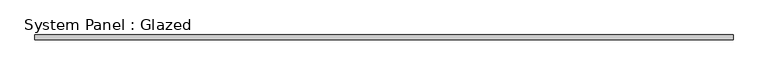
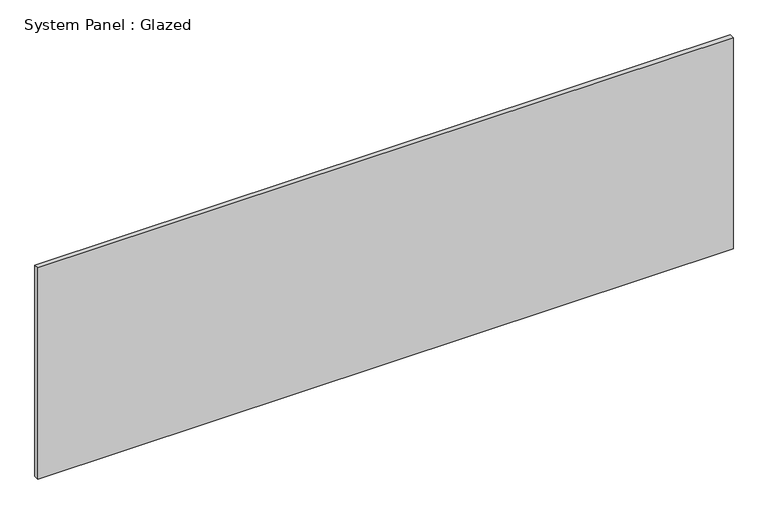
"""IFC4 building model written with IfcOpenShell, lengths in millimetres: plate geometry, System Panel : Glazed."""

from ifc_helpers import new_model, si_unit, origin, origin_with_axes, place, context, project, spatial, polyline, outline, extrude, source, transform, mapped, element, save


def system_panel_glazed_37e3d52c(model_context):
    return source(origin(), model_context, "Body", "SweptSolid", [
        extrude(outline(polyline([(1800.6631044, 19.05), (-1800.6631044, 19.05), (-1800.6631044, 44.45), (1800.6631044, 44.45), (1800.6631044, 19.05)])), origin_with_axes(), (0.0, 0.0, 1.0), 1155.7),
    ])


if __name__ == "__main__":
    model = new_model("IFC4")
    model_context = context("Model", 3, world=origin())
    ifc_project = project(units=[si_unit("LENGTHUNIT", "METRE", prefix="MILLI")], contexts=[model_context])
    site = spatial("IfcSite", under=ifc_project)
    building = spatial("IfcBuilding", under=site)
    placement = place(None, origin())
    system_panel_glazed_shape = system_panel_glazed_37e3d52c(model_context)
    element("IfcPlate", 1, ObjectType="System Panel : Glazed", at=placement, inside=building, context=model_context, shape_type="MappedRepresentation", body=[
        mapped(system_panel_glazed_shape, transform((0.0, 0.0, 0.0), x_axis=(1.0, 0.0, 0.0), y_axis=(0.0, 1.0, 0.0), z_axis=(0.0, 0.0, 1.0))),
    ])
    save(model, "model.ifc")
